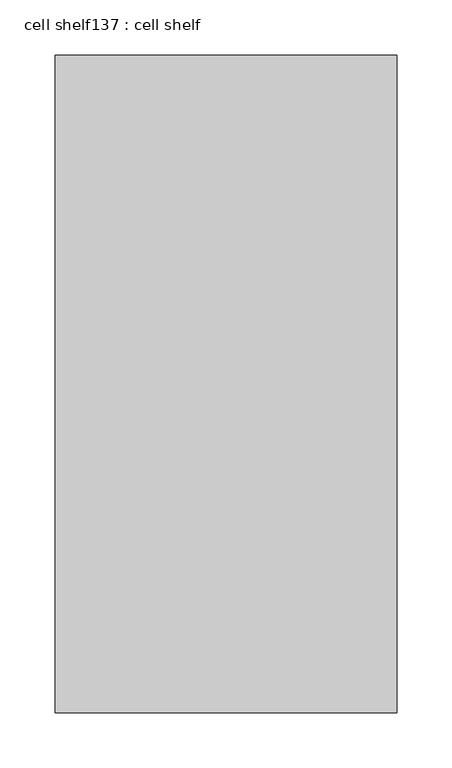
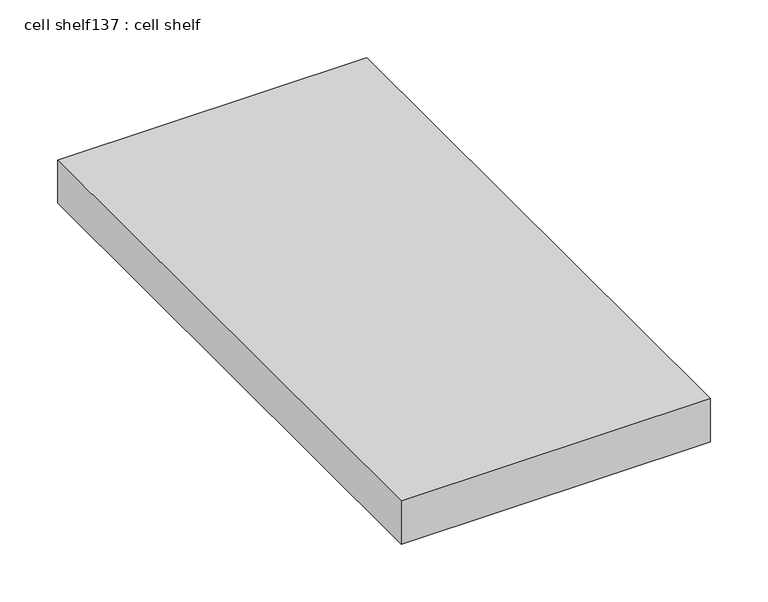
"""IFC4 building model written with IfcOpenShell, lengths in millimetres: proxy geometry, cell shelf137 : cell shelf."""

from ifc_helpers import new_model, si_unit, frame, origin, place, context, project, spatial, polyline, outline, extrude, source, transform, mapped, element, save


def cell_shelf137_cell_shelf_5d3c44a2(model_context):
    return source(origin(), model_context, "Body", "SweptSolid", [
        extrude(outline(polyline([(-117974.4407024, -30575.4281598), (-117974.4407024, -29980.3417641), (-117665.0929059, -29980.3417641), (-117665.0929059, -30575.4281598), (-117974.4407024, -30575.4281598)])), frame((0.0, 0.0, 1320.0941517), z_axis=(0.0, 0.0, 1.0), x_axis=(1.0, 0.0, 0.0)), (0.0, 0.0, 1.0), 45.8133004),
    ])


if __name__ == "__main__":
    model = new_model("IFC4")
    model_context = context("Model", 3, world=origin())
    ifc_project = project(units=[si_unit("LENGTHUNIT", "METRE", prefix="MILLI")], contexts=[model_context])
    site = spatial("IfcSite", under=ifc_project)
    building = spatial("IfcBuilding", under=site)
    placement = place(None, origin())
    cell_shelf137_cell_shelf_shape = cell_shelf137_cell_shelf_5d3c44a2(model_context)
    element("IfcBuildingElementProxy", 1, Name="cell shelf137 : cell shelf", ObjectType="cell shelf137 : cell shelf", at=placement, inside=building, context=model_context, shape_type="MappedRepresentation", body=[
        mapped(cell_shelf137_cell_shelf_shape, transform((0.0, 0.0, 0.0), x_axis=(1.0, 0.0, 0.0), y_axis=(0.0, 1.0, 0.0), z_axis=(0.0, 0.0, 1.0))),
    ])
    save(model, "model.ifc")
